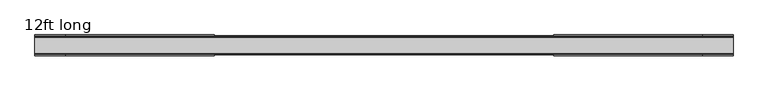
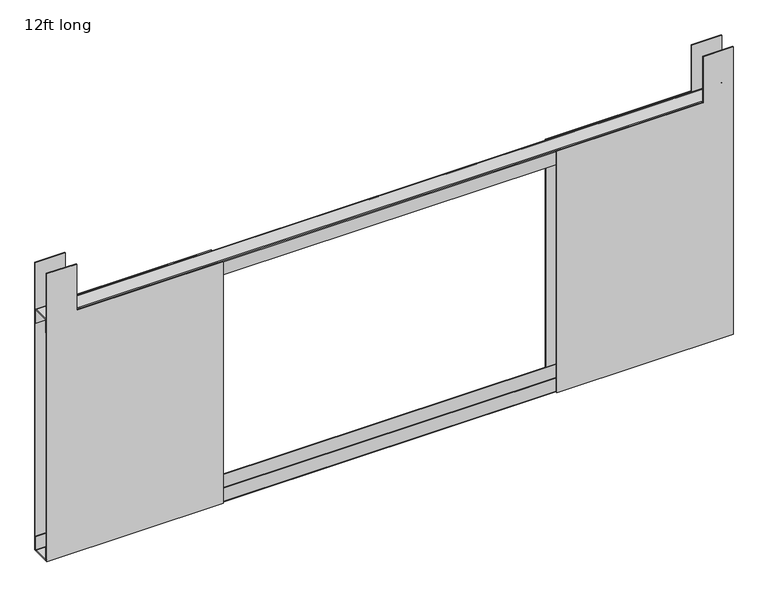
"""IFC4 building model written with IfcOpenShell, lengths in millimetres: furniture geometry, 12ft long."""

import ifcopenshell
import ifcopenshell.guid

model = None  # the IFC model being written
_history = None  # IfcOwnerHistory: only IFC2X3 demands one
_inside = {}  # id of a spatial element -> (the spatial element, [elements in it])
_under = {}  # id of a project, library or spatial element -> (it, [spatial elements below it])
_declared = {}  # id of a project -> (the project, [libraries it declares])
_typed = {}  # id of a type object -> (the type object, [elements of that type])
_made_of = {}  # id of a material, layer set ... -> (it, [elements and type objects made of it])


def new_model(schema):
    """Start an empty IFC model of exactly this schema.

    Asked for "IFC4X3", IfcOpenShell would pick the latest addendum, in which some entities
    have other attributes; the version numbers below select the first issue.
    IFC2X3 requires an IfcOwnerHistory on every rooted entity: one is made here for all.
    """
    global model, _history
    if schema == "IFC4X3":
        model = ifcopenshell.file(schema_version=(4, 3, 0, 0))
    else:
        model = ifcopenshell.file(schema=schema)
    _inside.clear()
    _under.clear()
    _declared.clear()
    _typed.clear()
    _made_of.clear()
    _history = None
    if model.schema == "IFC2X3":
        org = make("IfcOrganization", Name="unknown")
        user = make(
            "IfcPersonAndOrganization",
            ThePerson=make("IfcPerson", FamilyName="unknown"),
            TheOrganization=org,
        )
        app = make(
            "IfcApplication",
            ApplicationDeveloper=org,
            Version="unknown",
            ApplicationFullName="unknown",
            ApplicationIdentifier="unknown",
        )
        _history = make(
            "IfcOwnerHistory",
            OwningUser=user,
            OwningApplication=app,
            ChangeAction="ADDED",
            CreationDate=0,
        )
    return model


def make(cls, **values):
    """One entity of the class cls with the attributes given. An attribute that is None is left unset."""
    return model.create_entity(
        cls, **{name: value for name, value in values.items() if value is not None}
    )


def rooted(cls, **values):
    """An entity with a GlobalId (a new one), such as an element, a storey or a relation."""
    return make(cls, GlobalId=ifcopenshell.guid.new(), OwnerHistory=_history, **values)


def si_unit(unit_type, name, prefix=None):
    """IfcSIUnit, for example si_unit("LENGTHUNIT", "METRE", prefix="MILLI")."""
    return make("IfcSIUnit", UnitType=unit_type, Prefix=prefix, Name=name)


def assignment(units):
    """IfcUnitAssignment: the units of a project."""
    return None if units is None else make("IfcUnitAssignment", Units=units)


def point(xyz):
    """IfcCartesianPoint."""
    return None if xyz is None else make("IfcCartesianPoint", Coordinates=xyz)


def direction(xyz):
    """IfcDirection."""
    return None if xyz is None else make("IfcDirection", DirectionRatios=xyz)


def frame(location, z_axis=None, x_axis=None):
    """IfcAxis2Placement3D, a coordinate frame: its origin and axes. An axis left out is left unset."""
    return make(
        "IfcAxis2Placement3D",
        Location=point(location),
        Axis=direction(z_axis),
        RefDirection=direction(x_axis),
    )


def frame_2d(location, x_axis=None):
    """IfcAxis2Placement2D, a coordinate frame in the plane: its origin and x axis."""
    return make(
        "IfcAxis2Placement2D", Location=point(location), RefDirection=direction(x_axis)
    )


def origin():
    """The frame at (0, 0, 0) with its axes left unset."""
    return frame((0.0, 0.0, 0.0))


def place(relative_to, where):
    """IfcLocalPlacement: puts the frame where relative to a parent placement (None: the world)."""
    return make(
        "IfcLocalPlacement", PlacementRelTo=relative_to, RelativePlacement=where
    )


def context(
    kind, dimensions, precision=None, world=None, true_north=None, identifier=None
):
    """IfcGeometricRepresentationContext, for example the 3D "Model" context."""
    return make(
        "IfcGeometricRepresentationContext",
        ContextIdentifier=identifier,
        ContextType=kind,
        CoordinateSpaceDimension=dimensions,
        Precision=precision,
        WorldCoordinateSystem=world,
        TrueNorth=true_north,
    )


def project(units=None, contexts=None):
    """IfcProject with its units and contexts."""
    return rooted(
        "IfcProject",
        Name="project",
        RepresentationContexts=contexts,
        UnitsInContext=assignment(units),
    )


def spatial(cls, under=None, at=None, **own):
    """A site, building, storey or space (cls), placed at a placement, below another one or the project."""
    s = rooted(cls, ObjectPlacement=at, **own)
    if under is not None:
        _under.setdefault(under.id(), (under, []))[1].append(s)
    return s


def polyline(points):
    """IfcPolyline through the points."""
    return make("IfcPolyline", Points=[point(p) for p in points])


def circle_curve(where, radius):
    """IfcCircle in the frame where."""
    return make("IfcCircle", Position=where, Radius=radius)


def trimmed(basis, trim1, trim2, sense, master):
    """IfcTrimmedCurve: the piece of a basis curve between two trims."""
    return make(
        "IfcTrimmedCurve",
        BasisCurve=basis,
        Trim1=trim1,
        Trim2=trim2,
        SenseAgreement=sense,
        MasterRepresentation=master,
    )


def segment(curve, same_sense, transition):
    """IfcCompositeCurveSegment."""
    return make(
        "IfcCompositeCurveSegment",
        Transition=transition,
        SameSense=same_sense,
        ParentCurve=curve,
    )


def composite_curve(segments, self_intersect=None):
    """IfcCompositeCurve: segments joined end to end."""
    return make("IfcCompositeCurve", Segments=segments, SelfIntersect=self_intersect)


def outline(outer, holes=None, kind="AREA"):
    """IfcArbitraryClosedProfileDef: a profile drawn as a closed curve; with holes, ...WithVoids."""
    if holes is None:
        return make("IfcArbitraryClosedProfileDef", ProfileType=kind, OuterCurve=outer)
    return make(
        "IfcArbitraryProfileDefWithVoids",
        ProfileType=kind,
        OuterCurve=outer,
        InnerCurves=holes,
    )


def extrude(swept, where, along, depth):
    """IfcExtrudedAreaSolid: the profile swept, set in the frame where, extruded along a direction by depth."""
    return make(
        "IfcExtrudedAreaSolid",
        SweptArea=swept,
        Position=where,
        ExtrudedDirection=direction(along),
        Depth=depth,
    )


def shape(context_of_items, identifier, shape_type, items):
    """IfcShapeRepresentation: the items that make up one representation, for example the "Body"."""
    return make(
        "IfcShapeRepresentation",
        ContextOfItems=context_of_items,
        RepresentationIdentifier=identifier,
        RepresentationType=shape_type,
        Items=items,
    )


def source(mapping_origin, context_of_items, identifier, shape_type, items):
    """IfcRepresentationMap: a shape defined once, which mapped items show again and again."""
    return make(
        "IfcRepresentationMap",
        MappingOrigin=mapping_origin,
        MappedRepresentation=shape(context_of_items, identifier, shape_type, items),
    )


def transform(
    local_origin,
    x_axis=None,
    y_axis=None,
    z_axis=None,
    scale=None,
    scale2=None,
    scale3=None,
    uniform=True,
):
    """IfcCartesianTransformationOperator3D, or its non-uniform kind. x_axis, y_axis, z_axis: its Axis1, 2, 3."""
    if uniform:
        return make(
            "IfcCartesianTransformationOperator3D",
            Axis1=direction(x_axis),
            Axis2=direction(y_axis),
            LocalOrigin=point(local_origin),
            Scale=scale,
            Axis3=direction(z_axis),
        )
    return make(
        "IfcCartesianTransformationOperator3DnonUniform",
        Axis1=direction(x_axis),
        Axis2=direction(y_axis),
        LocalOrigin=point(local_origin),
        Scale=scale,
        Axis3=direction(z_axis),
        Scale2=scale2,
        Scale3=scale3,
    )


def mapped(mapping_source, mapping_target):
    """IfcMappedItem: shows the shape of a source again, moved by a transform."""
    return make(
        "IfcMappedItem", MappingSource=mapping_source, MappingTarget=mapping_target
    )


def made_of(thing, what):
    """Note that an element or type object is made of a material, layer set ...; save() writes the relation."""
    if what is not None:
        _made_of.setdefault(what.id(), (what, []))[1].append(thing)
    return thing


def element(
    cls,
    number,
    at=None,
    inside=None,
    cuts=None,
    type_object=None,
    material=None,
    context=None,
    identifier="Body",
    shape_type=None,
    held_by="IfcProductDefinitionShape",
    body=None,
    shapes=None,
    **own,
):
    """One element of the class cls, such as IfcWall. Its Tag is "e" and its number.

    at: its placement. inside: the storey or other place that contains it. cuts: it is an
    opening in that element (IfcRelVoidsElement). A single representation is given by context,
    identifier, shape_type and body (its items); several are given by shapes. held_by: the class
    of the entity that holds the representations. save() writes the other relations.
    """
    e = rooted(cls, Tag="e%d" % number, ObjectPlacement=at, **own)
    if body is not None:
        shapes = [shape(context, identifier, shape_type, body)]
    if shapes is not None:
        e.Representation = make(held_by, Representations=shapes)
    if inside is not None:
        _inside.setdefault(inside.id(), (inside, []))[1].append(e)
    if cuts is not None:
        rooted(
            "IfcRelVoidsElement", RelatingBuildingElement=cuts, RelatedOpeningElement=e
        )
    if type_object is not None:
        _typed.setdefault(type_object.id(), (type_object, []))[1].append(e)
    return made_of(e, material)


def aggregate(whole, parts):
    """IfcRelAggregates: a whole, such as a stair, and the parts it consists of."""
    return rooted("IfcRelAggregates", RelatingObject=whole, RelatedObjects=parts)


def save(model, path):
    """Write the relations noted so far, then the file.

    IfcRelAggregates (storeys below a building ...), IfcRelContainedInSpatialStructure (elements
    in a storey), IfcRelDefinesByType, IfcRelAssociatesMaterial and IfcRelDeclares: one each for
    every whole, place, type object, material and project.
    """
    for whole, parts in _under.values():
        aggregate(whole, parts)
    for where, things in _inside.values():
        rooted(
            "IfcRelContainedInSpatialStructure",
            RelatedElements=things,
            RelatingStructure=where,
        )
    for kind, things in _typed.values():
        rooted("IfcRelDefinesByType", RelatedObjects=things, RelatingType=kind)
    for what, things in _made_of.values():
        rooted("IfcRelAssociatesMaterial", RelatedObjects=things, RelatingMaterial=what)
    for by, libraries in _declared.values():
        rooted("IfcRelDeclares", RelatingContext=by, RelatedDefinitions=libraries)
    model.write(path)


def furniture_12ft_long_34eff07d(model_context):
    return source(origin(), model_context, "Body", "SweptSolid", [
        extrude(outline(polyline([(1442.0596, 572.0953125), (1949.3484, 572.0953125), (1949.3484, 522.0827125), (1867.9148166, 522.0827125), (1867.9148166, 278.1401629), (1442.0596, 278.1401629), (1442.0596, 572.0953125)])), frame((0.0, -17.1156, 0.0), z_axis=(0.0, 1.0, 0.0), x_axis=(0.0, 0.0, 1.0)), (0.0, 0.0, 1.0), 1.5200006),
        extrude(outline(polyline([(1442.0596, 572.0953125), (1949.3484, 572.0953125), (1949.3484, 522.0827125), (1868.5835621, 522.0827125), (1868.5835621, 278.1401629), (1442.0596, 278.1401629), (1442.0596, 572.0953125)])), frame((0.0, 15.5955994, 0.0), z_axis=(0.0, 1.0, 0.0), x_axis=(0.0, 0.0, 1.0)), (0.0, 0.0, 1.0), 1.5200006),
        extrude(outline(composite_curve([segment(polyline([(14.0754002, 1444.344189), (14.0754002, 1467.1329938), (15.5953996, 1467.1329938), (15.5953996, 1444.3079391), (14.9266518, 1442.6946837), (13.3133998, 1442.0259381), (-13.3135996, 1442.0259381), (-14.9268528, 1442.6946837), (-15.5955994, 1444.3079391), (-15.5955994, 1467.1692437), (-14.0756, 1467.1692437), (-14.0756, 1444.4456844)]), True, "CONTINUOUS"), segment(trimmed(circle_curve(frame_2d((-13.1758554, 1444.4456844)), 0.8997446), [point((-14.0756, 1444.4456844))], [point((-13.1758554, 1443.5459398))], True, "CARTESIAN"), True, "CONTINUOUS"), segment(polyline([(-13.1758554, 1443.5459398), (13.277151, 1443.5459398)]), True, "CONTINUOUS"), segment(trimmed(circle_curve(frame_2d((13.277151, 1444.344189)), 0.7982491), [point((13.277151, 1443.5459398))], [point((14.0754002, 1444.344189))], True, "CARTESIAN"), True, "CONTINUOUS")], self_intersect=False)), frame((-572.690625, 0.0, 0.0), z_axis=(1.0, 0.0, 0.0), x_axis=(0.0, 1.0, 0.0)), (0.0, 0.0, 1.0), 1144.7859375),
        extrude(outline(polyline([(1442.0596, -572.690625), (1442.0596, -278.6380068), (1867.9148166, -278.6380068), (1867.9148166, -522.678025), (1949.3484, -522.678025), (1949.3484, -572.690625), (1442.0596, -572.690625)])), frame((0.0, -17.1156, 0.0), z_axis=(0.0, 1.0, 0.0), x_axis=(0.0, 0.0, 1.0)), (0.0, 0.0, 1.0), 1.5200006),
        extrude(outline(polyline([(1442.0596, -572.690625), (1442.0596, -278.6380068), (1867.9148166, -278.6380068), (1867.9148166, -522.678025), (1949.3484, -522.678025), (1949.3484, -572.690625), (1442.0596, -572.690625)])), frame((0.0, 15.5955994, 0.0), z_axis=(0.0, 1.0, 0.0), x_axis=(0.0, 0.0, 1.0)), (0.0, 0.0, 1.0), 1.5200006),
        extrude(outline(composite_curve([segment(trimmed(circle_curve(frame_2d((13.277151, 1866.2653113)), 0.7982491), [point((14.0754002, 1866.2653113))], [point((13.277151, 1867.0635604))], True, "CARTESIAN"), True, "CONTINUOUS"), segment(polyline([(13.277151, 1867.0635604), (-13.1758554, 1867.0635604)]), True, "CONTINUOUS"), segment(trimmed(circle_curve(frame_2d((-13.1758554, 1866.1638159)), 0.8997446), [point((-13.1758554, 1867.0635604))], [point((-14.0756, 1866.1638159))], True, "CARTESIAN"), True, "CONTINUOUS"), segment(polyline([(-14.0756, 1866.1638159), (-14.0756, 1843.4402566), (-15.5955994, 1843.4402566), (-15.5955994, 1866.3015612), (-14.9268528, 1867.9148166), (-13.3135996, 1868.5835621), (13.3133998, 1868.5835621), (14.9266518, 1867.9148166), (15.5953996, 1866.3015612), (15.5953996, 1843.4765065), (14.0754002, 1843.4765065), (14.0754002, 1866.2653113)]), True, "CONTINUOUS")], self_intersect=False)), frame((-572.690625, 0.0, 0.0), z_axis=(1.0, 0.0, 0.0), x_axis=(0.0, 1.0, 0.0)), (0.0, 0.0, 1.0), 1144.7859375),
    ])


if __name__ == "__main__":
    model = new_model("IFC4")
    model_context = context("Model", 3, world=origin())
    ifc_project = project(units=[si_unit("LENGTHUNIT", "METRE", prefix="MILLI")], contexts=[model_context])
    site = spatial("IfcSite", under=ifc_project)
    building = spatial("IfcBuilding", under=site)
    placement = place(None, origin())
    furniture_12ft_long_shape = furniture_12ft_long_34eff07d(model_context)
    element("IfcFurniture", 1, ObjectType="12ft long", at=placement, inside=building, context=model_context, shape_type="MappedRepresentation", body=[
        mapped(furniture_12ft_long_shape, transform((0.0, 0.0, 0.0), x_axis=(1.0, 0.0, 0.0), y_axis=(0.0, 1.0, 0.0), z_axis=(0.0, 0.0, 1.0))),
    ])
    save(model, "model.ifc")
